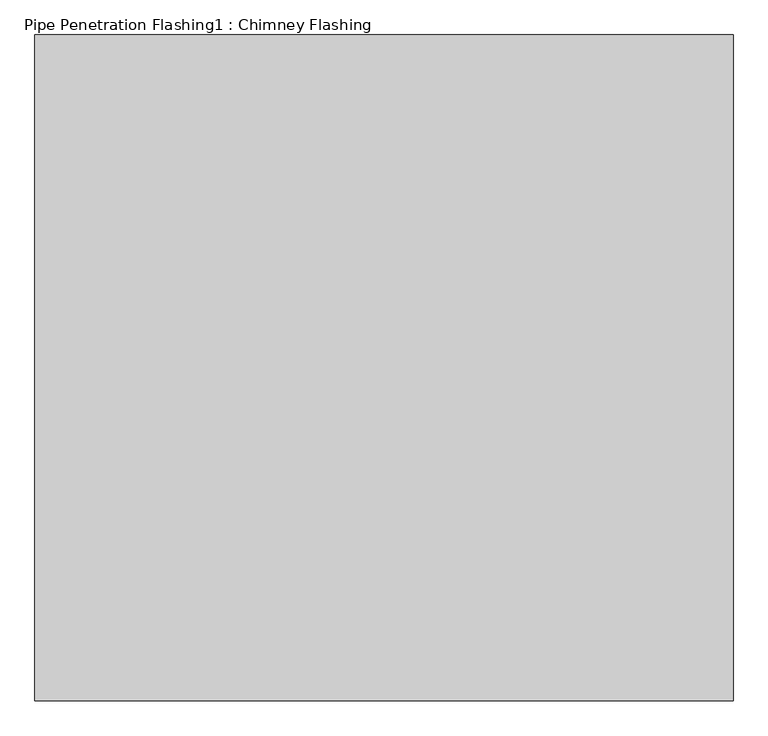
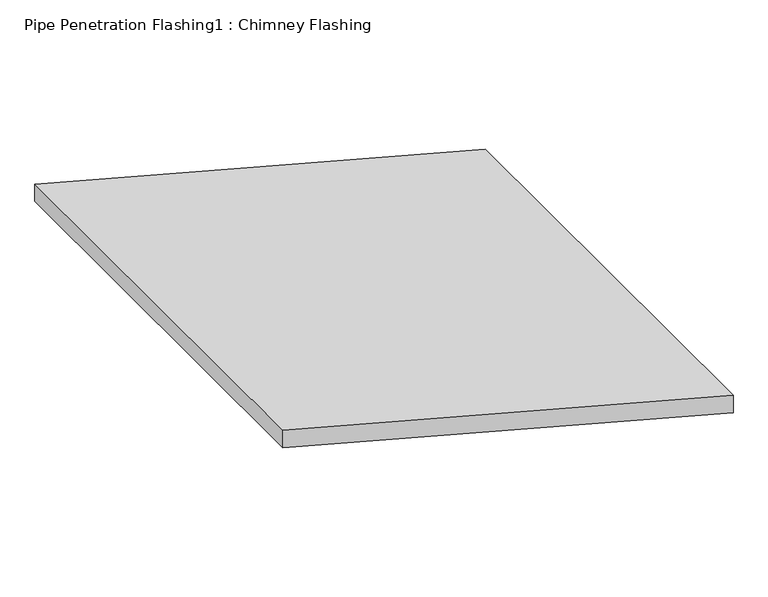
"""IFC4 building model written with IfcOpenShell, lengths in millimetres: proxy geometry, Pipe Penetration Flashing1 : Chimney Flashing."""

from ifc_helpers import new_model, si_unit, frame, origin, place, context, project, spatial, polyline, outline, extrude, source, transform, mapped, element, save


def pipe_penetration_flashing1_chimney_flashing_3793c410(model_context):
    return source(origin(), model_context, "Body", "SweptSolid", [
        extrude(outline(polyline([(5895.175764, 38598.6124813), (5941.7631921, 38598.6124813), (6247.9654108, 37455.8502436), (6201.3779827, 37455.8502436), (5895.175764, 38598.6124813)])), frame((0.0, -8987.9282861, 0.0), z_axis=(0.0, 1.0, 0.0), x_axis=(0.0, 0.0, 1.0)), (0.0, 0.0, 1.0), 1090.0),
    ])


if __name__ == "__main__":
    model = new_model("IFC4")
    model_context = context("Model", 3, world=origin())
    ifc_project = project(units=[si_unit("LENGTHUNIT", "METRE", prefix="MILLI")], contexts=[model_context])
    site = spatial("IfcSite", under=ifc_project)
    building = spatial("IfcBuilding", under=site)
    placement = place(None, origin())
    pipe_penetration_flashing1_chimney_flashing_shape = pipe_penetration_flashing1_chimney_flashing_3793c410(model_context)
    element("IfcBuildingElementProxy", 1, Name="Pipe Penetration Flashing1 : Chimney Flashing", ObjectType="Pipe Penetration Flashing1 : Chimney Flashing", at=placement, inside=building, context=model_context, shape_type="MappedRepresentation", body=[
        mapped(pipe_penetration_flashing1_chimney_flashing_shape, transform((0.0, 0.0, 0.0), x_axis=(1.0, 0.0, 0.0), y_axis=(0.0, 1.0, 0.0), z_axis=(0.0, 0.0, 1.0))),
    ])
    save(model, "model.ifc")
